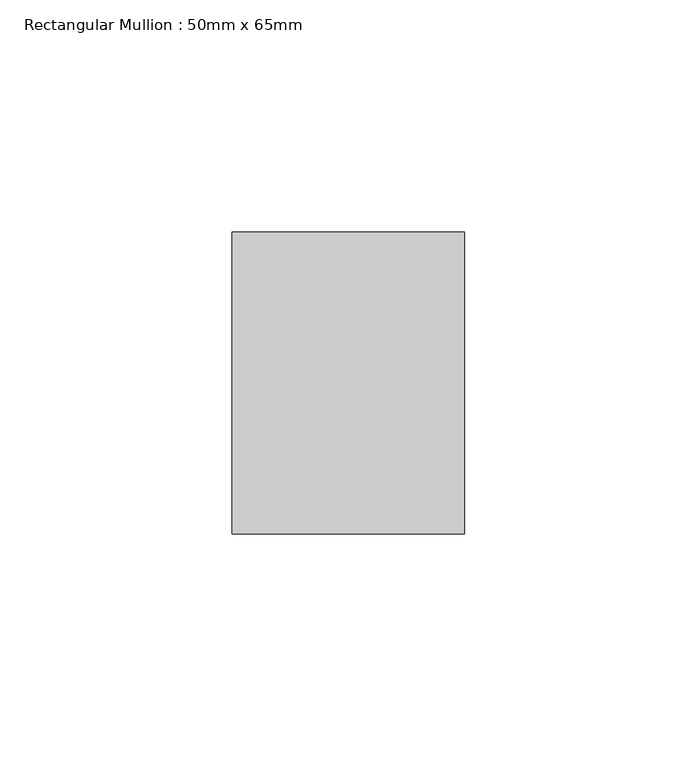
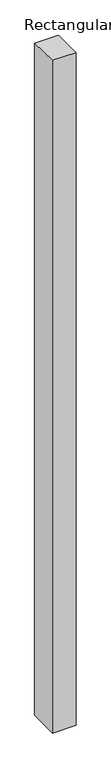
"""IFC4 building model written with IfcOpenShell, lengths in millimetres: member geometry, Rectangular Mullion : 50mm x 65mm."""

from ifc_helpers import new_model, si_unit, origin, place, context, project, spatial, faceted_brep, source, transform, mapped, element, save


def rectangular_mullion_50mm_x_65mm_9b3015b4(model_context):
    return source(origin(), model_context, "Body", "Brep", [
        faceted_brep([(-25.0, 32.5, -0.353672), (25.0, 32.5, -0.3536683), (25.0, 32.5, -1499.5482431), (-25.0, 32.5, -1499.5482383), (-25.0, -32.5, 0.3536683), (-25.0, -32.5, -1500.4518674), (25.0, -32.5, 0.353672), (25.0, -32.5, -1500.4518721)], [[[0, 1, 2, 3]], [[4, 0, 3, 5]], [[6, 4, 5, 7]], [[1, 6, 7, 2]], [[1, 0, 4, 6]], [[2, 7, 5, 3]]]),
    ])


if __name__ == "__main__":
    model = new_model("IFC4")
    model_context = context("Model", 3, world=origin())
    ifc_project = project(units=[si_unit("LENGTHUNIT", "METRE", prefix="MILLI")], contexts=[model_context])
    site = spatial("IfcSite", under=ifc_project)
    building = spatial("IfcBuilding", under=site)
    placement = place(None, origin())
    rectangular_mullion_50mm_x_65mm_shape = rectangular_mullion_50mm_x_65mm_9b3015b4(model_context)
    element("IfcMember", 1, ObjectType="Rectangular Mullion : 50mm x 65mm", at=placement, inside=building, context=model_context, shape_type="MappedRepresentation", body=[
        mapped(rectangular_mullion_50mm_x_65mm_shape, transform((0.0, 0.0, 0.0), x_axis=(1.0, 0.0, 0.0), y_axis=(0.0, 1.0, 0.0), z_axis=(0.0, 0.0, 1.0))),
    ])
    save(model, "model.ifc")
